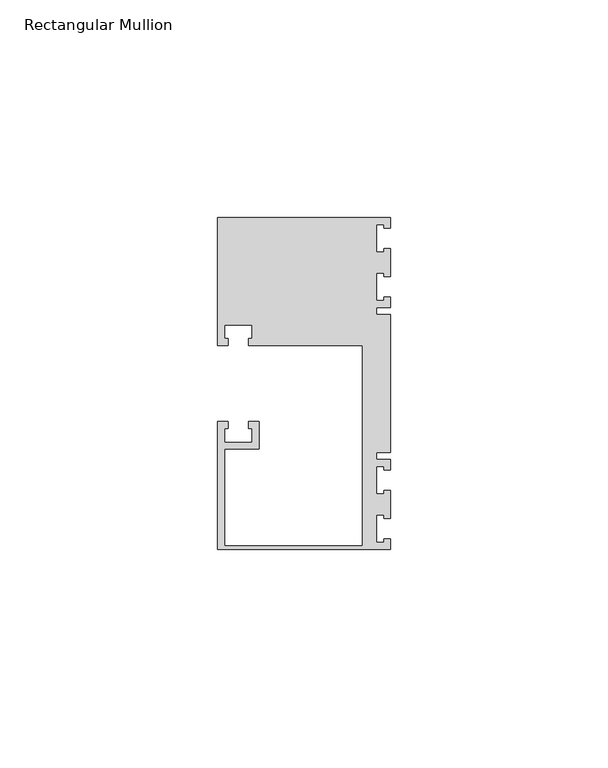
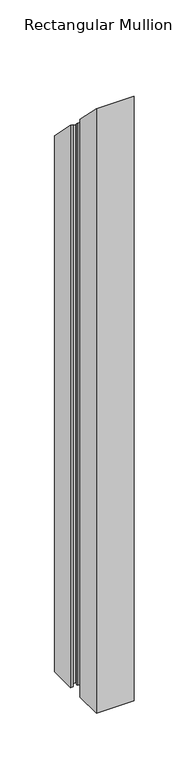
"""IFC4 building model written with IfcOpenShell, lengths in millimetres: member geometry, Rectangular Mullion."""

from ifc_helpers import new_model, si_unit, origin, place, context, project, spatial, faceted_brep, source, transform, mapped, element, save


def rectangular_mullion_36cea16b(model_context):
    return source(origin(), model_context, "Body", "Brep", [
        faceted_brep([(0.0, -38.1, -635.0), (-39.6875, -38.1, -635.0), (-39.6875, -8.73125, -635.0), (-37.30625, -8.73125, -635.0), (-37.30625, -10.31875, -635.0), (-38.1, -10.31875, -635.0), (-38.1, -13.49375, -635.0), (-31.75, -13.49375, -635.0), (-31.75, -10.31875, -635.0), (-32.54375, -10.31875, -635.0), (-32.54375, -8.73125, -635.0), (-30.1625, -8.73125, -635.0), (-30.1625, -15.08125, -635.0), (-38.1, -15.08125, -635.0), (-38.1, -37.30625, -635.0), (-6.35, -37.30625, -635.0), (-6.35, 8.73125, -635.0), (-32.54375, 8.73125, -635.0), (-32.54375, 10.31875, -635.0), (-31.75, 10.31875, -635.0), (-31.75, 13.49375, -635.0), (-38.1, 13.49375, -635.0), (-38.1, 10.31875, -635.0), (-37.30625, 10.31875, -635.0), (-37.30625, 8.73125, -635.0), (-39.6875, 8.73125, -635.0), (-39.6875, 38.1, -635.0), (0.0, 38.1, -635.0), (0.0, 35.71875, -635.0), (-1.4999946, 35.71875, -635.0), (-1.4999946, 36.5125, -635.0), (-3.175, 36.5125, -635.0), (-3.175, 30.1625, -635.0), (-1.4999946, 30.1625, -635.0), (-1.4999946, 30.95625, -635.0), (0.0, 30.95625, -635.0), (0.0, 24.60625, -635.0), (-1.4999946, 24.60625, -635.0), (-1.4999946, 25.4, -635.0), (-3.175, 25.4, -635.0), (-3.175, 19.05, -635.0), (-1.4999946, 19.05, -635.0), (-1.4999946, 19.84375, -635.0), (0.0, 19.84375, -635.0), (0.0, 17.4625, -635.0), (-3.175, 17.4625, -635.0), (-3.175, 15.875, -635.0), (0.0, 15.875, -635.0), (0.0, -15.875, -635.0), (-3.175, -15.875, -635.0), (-3.175, -17.4625, -635.0), (0.0, -17.4625, -635.0), (0.0, -19.84375, -635.0), (-1.4999946, -19.84375, -635.0), (-1.4999946, -19.05, -635.0), (-3.175, -19.05, -635.0), (-3.175, -25.4, -635.0), (-1.4999946, -25.4, -635.0), (-1.4999946, -24.60625, -635.0), (0.0, -24.60625, -635.0), (0.0, -30.95625, -635.0), (-1.4999946, -30.95625, -635.0), (-1.4999946, -30.1625, -635.0), (-3.175, -30.1625, -635.0), (-3.175, -36.5125, -635.0), (-1.4999946, -36.5125, -635.0), (-1.4999946, -35.71875, -635.0), (0.0, -35.71875, -635.0), (0.0, -35.71875, 35.71875), (0.0, -38.1, 38.1), (-1.4999946, -35.71875, 35.71875), (-1.4999946, -36.5125, 36.5125), (-3.175, -36.5125, 36.5125), (-3.175, -30.1625, 30.1625), (-1.4999946, -30.1625, 30.1625), (-1.4999946, -30.95625, 30.95625), (0.0, -30.95625, 30.95625), (0.0, -24.60625, 24.60625), (-1.4999946, -24.60625, 24.60625), (-1.4999946, -25.4, 25.4), (-3.175, -25.4, 25.4), (-3.175, -19.05, 19.05), (-1.4999946, -19.05, 19.05), (-1.4999946, -19.84375, 19.84375), (0.0, -19.84375, 19.84375), (0.0, -17.4625, 17.4625), (-3.175, -17.4625, 17.4625), (-3.175, -15.875, 15.875), (0.0, -15.875, 15.875), (0.0, 15.875, -15.875), (-3.175, 15.875, -15.875), (-3.175, 17.4625, -17.4625), (0.0, 17.4625, -17.4625), (0.0, 19.84375, -19.84375), (-1.4999946, 19.84375, -19.84375), (-1.4999946, 19.05, -19.05), (-3.175, 19.05, -19.05), (-3.175, 25.4, -25.4), (-1.4999946, 25.4, -25.4), (-1.4999946, 24.60625, -24.60625), (0.0, 24.60625, -24.60625), (0.0, 30.95625, -30.95625), (-1.4999946, 30.95625, -30.95625), (-1.4999946, 30.1625, -30.1625), (-3.175, 30.1625, -30.1625), (-3.175, 36.5125, -36.5125), (-1.4999946, 36.5125, -36.5125), (-1.4999946, 35.71875, -35.71875), (0.0, 35.71875, -35.71875), (0.0, 38.1, -38.1), (-39.6875, 38.1, -38.1), (-39.6875, 8.73125, -8.73125), (-37.30625, 8.73125, -8.73125), (-37.30625, 10.31875, -10.31875), (-38.1, 10.31875, -10.31875), (-38.1, 13.49375, -13.49375), (-31.75, 13.49375, -13.49375), (-31.75, 10.31875, -10.31875), (-32.54375, 10.31875, -10.31875), (-32.54375, 8.73125, -8.73125), (-6.35, 8.73125, -8.73125), (-6.35, -37.30625, 37.30625), (-38.1, -37.30625, 37.30625), (-38.1, -15.08125, 15.08125), (-30.1625, -15.08125, 15.08125), (-30.1625, -8.73125, 8.73125), (-32.54375, -8.73125, 8.73125), (-32.54375, -10.31875, 10.31875), (-31.75, -10.31875, 10.31875), (-31.75, -13.49375, 13.49375), (-38.1, -13.49375, 13.49375), (-38.1, -10.31875, 10.31875), (-37.30625, -10.31875, 10.31875), (-37.30625, -8.73125, 8.73125), (-39.6875, -8.73125, 8.73125), (-39.6875, -38.1, 38.1)], [[[0, 1, 2, 3, 4, 5, 6, 7, 8, 9, 10, 11, 12, 13, 14, 15, 16, 17, 18, 19, 20, 21, 22, 23, 24, 25, 26, 27, 28, 29, 30, 31, 32, 33, 34, 35, 36, 37, 38, 39, 40, 41, 42, 43, 44, 45, 46, 47, 48, 49, 50, 51, 52, 53, 54, 55, 56, 57, 58, 59, 60, 61, 62, 63, 64, 65, 66, 67]], [[68, 69, 0, 67]], [[70, 68, 67, 66]], [[71, 70, 66, 65]], [[72, 71, 65, 64]], [[73, 72, 64, 63]], [[74, 73, 63, 62]], [[75, 74, 62, 61]], [[76, 75, 61, 60]], [[77, 76, 60, 59]], [[78, 77, 59, 58]], [[79, 78, 58, 57]], [[80, 79, 57, 56]], [[81, 80, 56, 55]], [[82, 81, 55, 54]], [[83, 82, 54, 53]], [[84, 83, 53, 52]], [[85, 84, 52, 51]], [[86, 85, 51, 50]], [[87, 86, 50, 49]], [[88, 87, 49, 48]], [[89, 88, 48, 47]], [[90, 89, 47, 46]], [[91, 90, 46, 45]], [[92, 91, 45, 44]], [[93, 92, 44, 43]], [[94, 93, 43, 42]], [[95, 94, 42, 41]], [[96, 95, 41, 40]], [[97, 96, 40, 39]], [[98, 97, 39, 38]], [[99, 98, 38, 37]], [[100, 99, 37, 36]], [[101, 100, 36, 35]], [[102, 101, 35, 34]], [[103, 102, 34, 33]], [[104, 103, 33, 32]], [[105, 104, 32, 31]], [[106, 105, 31, 30]], [[107, 106, 30, 29]], [[108, 107, 29, 28]], [[109, 108, 28, 27]], [[110, 109, 27, 26]], [[111, 110, 26, 25]], [[112, 111, 25, 24]], [[113, 112, 24, 23]], [[114, 113, 23, 22]], [[115, 114, 22, 21]], [[116, 115, 21, 20]], [[117, 116, 20, 19]], [[118, 117, 19, 18]], [[119, 118, 18, 17]], [[120, 119, 17, 16]], [[121, 120, 16, 15]], [[122, 121, 15, 14]], [[123, 122, 14, 13]], [[124, 123, 13, 12]], [[125, 124, 12, 11]], [[126, 125, 11, 10]], [[127, 126, 10, 9]], [[128, 127, 9, 8]], [[129, 128, 8, 7]], [[130, 129, 7, 6]], [[131, 130, 6, 5]], [[132, 131, 5, 4]], [[133, 132, 4, 3]], [[134, 133, 3, 2]], [[135, 134, 2, 1]], [[69, 135, 1, 0]], [[69, 68, 70, 71, 72, 73, 74, 75, 76, 77, 78, 79, 80, 81, 82, 83, 84, 85, 86, 87, 88, 89, 90, 91, 92, 93, 94, 95, 96, 97, 98, 99, 100, 101, 102, 103, 104, 105, 106, 107, 108, 109, 110, 111, 112, 113, 114, 115, 116, 117, 118, 119, 120, 121, 122, 123, 124, 125, 126, 127, 128, 129, 130, 131, 132, 133, 134, 135]]]),
    ])


if __name__ == "__main__":
    model = new_model("IFC4")
    model_context = context("Model", 3, world=origin())
    ifc_project = project(units=[si_unit("LENGTHUNIT", "METRE", prefix="MILLI")], contexts=[model_context])
    site = spatial("IfcSite", under=ifc_project)
    building = spatial("IfcBuilding", under=site)
    placement = place(None, origin())
    rectangular_mullion_shape = rectangular_mullion_36cea16b(model_context)
    element("IfcMember", 1, ObjectType="Rectangular Mullion", at=placement, inside=building, context=model_context, shape_type="MappedRepresentation", body=[
        mapped(rectangular_mullion_shape, transform((0.0, 0.0, 0.0), x_axis=(1.0, 0.0, 0.0), y_axis=(0.0, 1.0, 0.0), z_axis=(0.0, 0.0, 1.0))),
    ])
    save(model, "model.ifc")
